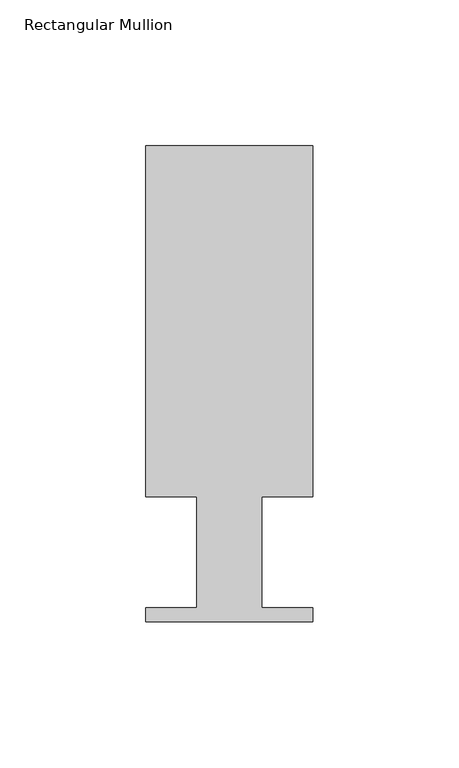
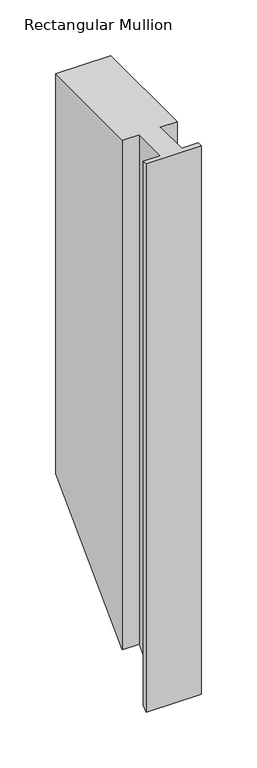
"""IFC4 building model written with IfcOpenShell, lengths in millimetres: member geometry, Rectangular Mullion."""

from ifc_helpers import new_model, si_unit, origin, place, context, project, spatial, faceted_brep, source, transform, mapped, element, save


def rectangular_mullion_c2e77c6e(model_context):
    return source(origin(), model_context, "Body", "Brep", [
        faceted_brep([(0.0, 151.892, 0.0), (-57.15, 151.892, 0.0), (-57.15, 31.75, 0.0), (-39.6875, 31.75, 0.0), (-39.6875, -6.35, 0.0), (-57.15, -6.35, 0.0), (-57.15, -11.176, 0.0), (0.0, -11.176, 0.0), (0.0, -6.35, 0.0), (-17.4752, -6.35, 0.0), (-17.4752, 31.75, 0.0), (0.0, 31.75, 0.0), (0.0, 151.892, -439.6542875), (-57.15, 151.892, -439.6542875), (-57.15, 31.75, -559.7962875), (-39.6875, 31.75, -559.7962875), (-39.6875, -6.35, -597.8962875), (-57.15, -6.35, -597.8962875), (-57.15, -11.176, -602.7222875), (0.0, -11.176, -602.7222875), (0.0, -6.35, -597.8962875), (-17.4752, -6.35, -597.8962875), (-17.4752, 31.75, -559.7962875), (0.0, 31.75, -559.7962875)], [[[0, 1, 2, 3, 4, 5, 6, 7, 8, 9, 10, 11]], [[1, 0, 12, 13]], [[2, 1, 13, 14]], [[3, 2, 14, 15]], [[4, 3, 15, 16]], [[5, 4, 16, 17]], [[6, 5, 17, 18]], [[7, 6, 18, 19]], [[8, 7, 19, 20]], [[9, 8, 20, 21]], [[10, 9, 21, 22]], [[11, 10, 22, 23]], [[0, 11, 23, 12]], [[12, 23, 22, 21, 20, 19, 18, 17, 16, 15, 14, 13]]]),
    ])


if __name__ == "__main__":
    model = new_model("IFC4")
    model_context = context("Model", 3, world=origin())
    ifc_project = project(units=[si_unit("LENGTHUNIT", "METRE", prefix="MILLI")], contexts=[model_context])
    site = spatial("IfcSite", under=ifc_project)
    building = spatial("IfcBuilding", under=site)
    placement = place(None, origin())
    rectangular_mullion_shape = rectangular_mullion_c2e77c6e(model_context)
    element("IfcMember", 1, ObjectType="Rectangular Mullion", at=placement, inside=building, context=model_context, shape_type="MappedRepresentation", body=[
        mapped(rectangular_mullion_shape, transform((0.0, 0.0, 0.0), x_axis=(1.0, 0.0, 0.0), y_axis=(0.0, 1.0, 0.0), z_axis=(0.0, 0.0, 1.0))),
    ])
    save(model, "model.ifc")
